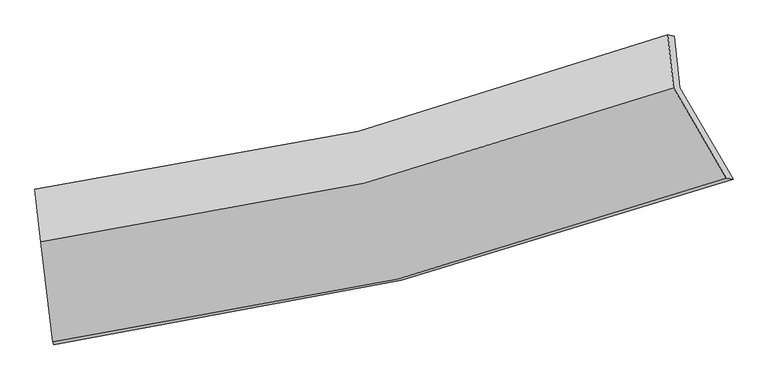
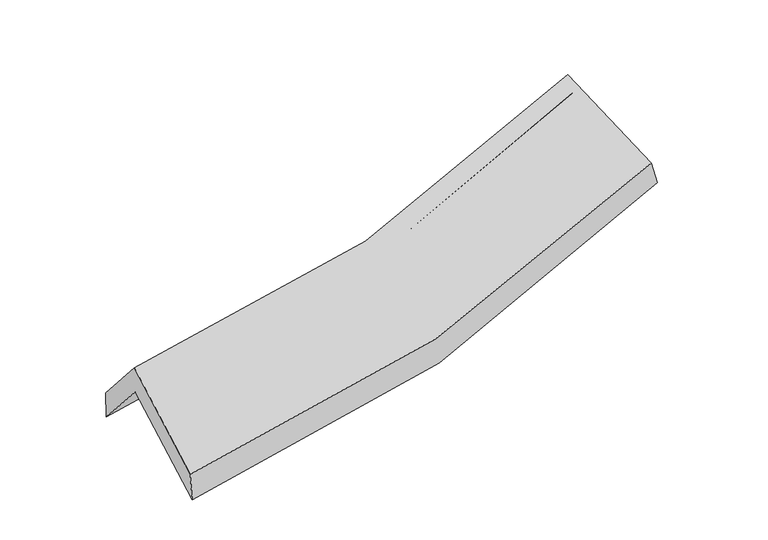
"""IFC4 building model written with IfcOpenShell, lengths in millimetres: proxy geometry."""

from ifc_helpers import new_model, si_unit, frame, origin, place, context, project, spatial, source, transform, mapped, element, save
from ifc_brep_helpers import plane_surface, spline_curve, spline_surface, advanced_brep


def generic_models_ba1fec79(model_context):
    return source(origin(), model_context, "Body", "AdvancedBrep", [
        advanced_brep(
        [(-1589.3263852, -2444.5069249, 1537.728119), (-1651.8615362, -1936.6725063, 1969.6850086), (1538.097086, -1160.8517895, 2363.6059601), (1804.5477784, -1618.7180675, 1955.003881), (-1680.8184409, -1670.0154843, 1651.9948838), (1510.3740032, -905.5567303, 2059.4522626), (-1682.2456145, -1667.5453739, 1811.7157581), (1478.7110252, -897.8729249, 2186.0124442), (-1653.745924, -1929.992022, 2124.3897231), (1507.2637456, -1160.8079128, 2499.2682079), (-1592.2325892, -2429.5284925, 1699.4909526), (1771.2184791, -1614.3851595, 2094.4936811)],
        [
            (0, 1),
            (1, 2, spline_curve(3, [(-1651.8615362, -1936.6725063, 1969.6850086), (-1095.287851473, -1869.956608214, 1967.278938285), (-550.645336097, -1771.747985708, 1999.041226499), (512.575791169, -1512.881314655, 2130.630045657), (1031.252816715, -1352.483031798, 2230.174741013), (1538.097086, -1160.8517895, 2363.6059601)], [4, 2, 4], [0.0, 5.628298288831096, 11.233336214022644])),
            (2, 3),
            (3, 0, spline_curve(3, [(1804.5477784, -1618.7180675, 1955.003881), (1263.390318902, -1817.479216413, 1818.715676928), (710.598511461, -1985.596619751, 1715.801348499), (-420.596113251, -2261.114436991, 1576.431856368), (-999.095693583, -2368.259986383, 1540.254264181), (-1589.3263852, -2444.5069249, 1537.728119)], [4, 2, 4], [0.0, 5.6050379251915485, 11.233336214022644])),
            (1, 4),
            (4, 5, spline_curve(3, [(-1680.8184409, -1670.0154843, 1651.9948838), (-1123.722464302, -1608.109244012, 1655.318948534), (-578.716099055, -1513.251226041, 1691.073083873), (484.914995426, -1258.159841207, 1827.159707282), (1003.639444914, -1098.198274462, 1927.22469815), (1510.3740032, -905.5567303, 2059.4522626)], [4, 2, 4], [0.0, 5.455681820158051, 10.88881665781335])),
            (5, 2),
            (4, 6),
            (6, 7, spline_curve(3, [(-1682.2456145, -1667.5453739, 1811.7157581), (-1131.918131578, -1603.026622263, 1816.246907864), (-592.819101561, -1506.428777778, 1849.828488902), (460.740494731, -1249.606692753, 1974.833671294), (975.293677773, -1089.647054207, 2066.017652171), (1478.7110252, -897.8729249, 2186.0124442)], [4, 2, 4], [0.0, 5.428302943163038, 10.834172053944775])),
            (7, 5),
            (6, 8),
            (8, 9, spline_curve(3, [(-1653.745924, -1929.992022, 2124.3897231), (-1103.467886516, -1865.017940172, 2128.378401063), (-564.389090473, -1768.233765598, 2161.737992242), (489.188423341, -1511.576679477, 2286.939750912), (1003.779517097, -1351.966150875, 2378.539654833), (1507.2637456, -1160.8079128, 2499.2682079)], [4, 2, 4], [0.0, 5.400998097607834, 10.779675207002203])),
            (9, 7),
            (8, 10),
            (10, 11, spline_curve(3, [(-1592.2325892, -2429.5284925, 1699.4909526), (-1007.895833585, -2358.346448845, 1705.58596493), (-434.88288734, -2254.61890802, 1741.680514971), (686.174065371, -1982.636014514, 1873.595539925), (1234.311474866, -1814.649111042, 1969.16856611), (1771.2184791, -1614.3851595, 2094.4936811)], [4, 2, 4], [0.0, 5.572208928726229, 11.12138929725427])),
            (11, 9),
            (10, 0),
            (3, 11),
        ],
        [
            spline_surface(3, 3, [[(-1589.3263852, -2444.5069249, 1537.728119), (-999.095693654, -2368.259986293, 1540.254264186), (-420.596113229, -2261.114437043, 1576.431856379), (710.59851144, -1985.596619699, 1715.801348487), (1263.390318889, -1817.479216475, 1818.715676971), (1804.5477784, -1618.7180675, 1955.003881)], [(-1610.17143553, -2275.228785374, 1681.713748865), (-1031.159746242, -2202.158860304, 1682.595822206), (-463.945854192, -2097.992286585, 1717.301646458), (644.590938046, -1828.02485136, 1854.077580855), (1186.011151496, -1662.480488228, 1955.868698334), (1715.730880944, -1466.095974838, 2091.204574025)], [(-1631.01648587, -2105.950645826, 1825.699378735), (-1063.22379884, -2036.057734294, 1824.937380231), (-507.29559519, -1934.870136133, 1858.171436511), (578.583364618, -1670.453083028, 1992.353813197), (1108.631984068, -1507.481759966, 2093.021719721), (1626.913983456, -1313.473882162, 2227.405267075)], [(-1651.8615362, -1936.6725063, 1969.6850086), (-1095.287851428, -1869.956608305, 1967.278938251), (-550.645336153, -1771.747985674, 1999.04122659), (512.575791224, -1512.881314689, 2130.630045566), (1031.252816675, -1352.483031718, 2230.174741084), (1538.097086, -1160.8517895, 2363.6059601)]], [4, 4], [4, 2, 4], [0.0, 2.1604630341870803], [0.0, 5.628298288831096, 11.233336214022644]),
            spline_surface(3, 3, [[(-1651.8615362, -1936.6725063, 1969.6850086), (-1095.287851428, -1869.956608305, 1967.278938251), (-550.645336153, -1771.747985674, 1999.04122659), (512.575791224, -1512.881314689, 2130.630045566), (1031.252816675, -1352.483031718, 2230.174741084), (1538.097086, -1160.8517895, 2363.6059601)], [(-1661.513837769, -1847.786832273, 1863.788300323), (-1104.766055699, -1782.674153526, 1863.292275017), (-560.002257111, -1685.582399134, 1896.385179019), (503.355525957, -1427.974156837, 2029.473266094), (1022.048359417, -1267.721445944, 2129.19139343), (1528.8560584, -1075.753436426, 2262.221394264)], [(-1671.166139331, -1758.901158327, 1757.891592077), (-1114.244259963, -1695.391698829, 1759.305611813), (-569.359178081, -1599.416812625, 1793.729131511), (494.135260678, -1343.066999015, 1928.316486687), (1012.84390216, -1182.959860193, 2028.208045785), (1519.6150308, -990.655083374, 2160.836828436)], [(-1680.8184409, -1670.0154843, 1651.9948838), (-1123.722464234, -1608.10924405, 1655.318948579), (-578.716099039, -1513.251226085, 1691.07308394), (484.91499541, -1258.159841163, 1827.159707215), (1003.639444902, -1098.198274419, 1927.224698131), (1510.3740032, -905.5567303, 2059.4522626)]], [4, 4], [4, 2, 4], [0.0, 1.3127409634462048], [0.0, 5.455681820158051, 10.88881665781335]),
            spline_surface(3, 3, [[(-1680.8184409, -1670.0154843, 1651.9948838), (-1123.722464234, -1608.10924405, 1655.318948579), (-578.716099039, -1513.251226085, 1691.07308394), (484.91499541, -1258.159841163, 1827.159707215), (1003.639444902, -1098.198274419, 1927.224698131), (1510.3740032, -905.5567303, 2059.4522626)], [(-1681.29416542, -1669.192114183, 1705.235175246), (-1126.454353355, -1606.415036803, 1708.961601663), (-583.417099868, -1510.977076628, 1743.991552277), (476.856828485, -1255.308791683, 1876.384361905), (994.190855854, -1095.347867703, 1973.489016153), (1499.819677187, -902.995461841, 2101.638989804)], [(-1681.76988998, -1668.368744017, 1758.475466654), (-1129.186242516, -1604.720829507, 1762.604254709), (-588.118100666, -1508.702927217, 1796.910020594), (468.79866159, -1252.457742251, 1925.609016574), (984.742266843, -1092.497460964, 2019.753334163), (1489.265351213, -900.434193359, 2143.825716996)], [(-1682.2456145, -1667.5453739, 1811.7157581), (-1131.918131638, -1603.026622261, 1816.246907793), (-592.819101495, -1506.42877776, 1849.828488932), (460.740494665, -1249.606692771, 1974.833671264), (975.293677795, -1089.647054247, 2066.017652186), (1478.7110252, -897.8729249, 2186.0124442)]], [4, 4], [4, 2, 4], [0.0, 0.5072723696661174], [0.0, 5.428302943163038, 10.834172053944775]),
            spline_surface(3, 3, [[(-1682.2456145, -1667.5453739, 1811.7157581), (-1131.918131638, -1603.026622261, 1816.246907793), (-592.819101495, -1506.42877776, 1849.828488932), (460.740494665, -1249.606692771, 1974.833671264), (975.293677795, -1089.647054247, 2066.017652186), (1478.7110252, -897.8729249, 2186.0124442)], [(-1672.745717692, -1755.027589916, 1915.940413088), (-1122.434716614, -1690.357061573, 1920.290738891), (-583.342431139, -1593.697107087, 1953.798323371), (470.223137553, -1336.930021681, 2078.869031165), (984.788957567, -1177.086753116, 2170.19165305), (1488.228598657, -985.517920837, 2290.431032103)], [(-1663.245820808, -1842.509805984, 2020.165068112), (-1112.951301514, -1777.687500937, 2024.334570025), (-573.8657608, -1680.96543633, 2057.76815778), (479.705780424, -1424.253350507, 2182.904391035), (994.284237368, -1264.526452073, 2274.365653906), (1497.746172143, -1073.162916863, 2394.849619997)], [(-1653.745924, -1929.992022, 2124.3897231), (-1103.467886491, -1865.017940249, 2128.378401123), (-564.389090444, -1768.233765658, 2161.737992219), (489.188423313, -1511.576679418, 2286.939750935), (1003.77951714, -1351.966150942, 2378.539654771), (1507.2637456, -1160.8079128, 2499.2682079)]], [4, 4], [4, 2, 4], [0.0, 1.3397010018669955], [0.0, 5.400998097607834, 10.779675207002203]),
            spline_surface(3, 3, [[(-1653.745924, -1929.992022, 2124.3897231), (-1103.467886491, -1865.017940249, 2128.378401123), (-564.389090444, -1768.233765658, 2161.737992219), (489.188423313, -1511.576679418, 2286.939750935), (1003.77951714, -1351.966150942, 2378.539654771), (1507.2637456, -1160.8079128, 2499.2682079)], [(-1633.241479068, -2096.504178854, 1982.756799605), (-1071.610535553, -2029.460776468, 1987.447589037), (-521.220356052, -1930.362146419, 2021.718833107), (554.850303963, -1668.596457773, 2149.158347285), (1080.62350309, -1506.193804325, 2242.08262522), (1595.248656795, -1312.000328364, 2364.343365626)], [(-1612.737034132, -2263.016335646, 1841.123876095), (-1039.753184612, -2193.903612624, 1846.516776935), (-478.051621642, -2092.490527235, 1881.699674009), (620.512184632, -1825.616236182, 2011.376943649), (1157.467488957, -1660.421457715, 2105.625595691), (1683.233567905, -1463.192743936, 2229.418523374)], [(-1592.2325892, -2429.5284925, 1699.4909526), (-1007.895833674, -2358.346448843, 1705.585964849), (-434.88288725, -2254.618907997, 1741.680514897), (686.174065282, -1982.636014538, 1873.595539998), (1234.311474907, -1814.649111097, 1969.16856614), (1771.2184791, -1614.3851595, 2094.4936811)]], [4, 4], [4, 2, 4], [0.0, 2.1500396959126635], [0.0, 5.572208928726229, 11.12138929725427]),
            spline_surface(3, 3, [[(-1592.2325892, -2429.5284925, 1699.4909526), (-1007.895833674, -2358.346448843, 1705.585964849), (-434.88288725, -2254.618907997, 1741.680514897), (686.174065282, -1982.636014538, 1873.595539998), (1234.311474907, -1814.649111097, 1969.16856614), (1771.2184791, -1614.3851595, 2094.4936811)], [(-1591.263854521, -2434.5213033, 1645.570008072), (-1004.962453655, -2361.650961326, 1650.475397967), (-430.120629248, -2256.784084364, 1686.597628725), (694.31554733, -1983.622882943, 1820.997476161), (1244.004422884, -1815.592479583, 1919.017603096), (1782.328245516, -1615.829462193, 2047.997081079)], [(-1590.295119879, -2439.5141141, 1591.649063528), (-1002.029073673, -2364.95547381, 1595.364831068), (-425.358371231, -2258.949260676, 1631.514742552), (702.457029392, -1984.609751293, 1768.399412324), (1253.697370912, -1816.535847989, 1868.866640015), (1793.438011984, -1617.273764807, 2001.500481021)], [(-1589.3263852, -2444.5069249, 1537.728119), (-999.095693654, -2368.259986293, 1540.254264186), (-420.596113229, -2261.114437043, 1576.431856379), (710.59851144, -1985.596619699, 1715.801348487), (1263.390318889, -1817.479216475, 1818.715676971), (1804.5477784, -1618.7180675, 1955.003881)]], [4, 4], [4, 2, 4], [0.0, 0.5339852277960205], [0.0, 5.772170173188844, 11.520485395853093]),
            plane_surface(frame((1601.7020196, -1226.3654308, 2192.9727395), z_axis=(0.9146214338971381, 0.34684594167031807, 0.20776314736442875), x_axis=(0.39826774308186663, -0.6843794157446693, -0.6107434978167687))),
            plane_surface(frame((-1641.7050817, -2013.0434673, 1799.1674075), z_axis=(-0.9931908671274767, -0.11628339653617176, -0.007076238024742583), x_axis=(-0.01788644473379635, 0.09218585475994798, 0.9955811585586395))),
        ],
        [
            (0, [[1, 2, 3, 4]]),
            (1, [[5, 6, 7, -2]]),
            (2, [[8, 9, 10, -6]]),
            (3, [[11, 12, 13, -9]]),
            (4, [[14, 15, 16, -12]]),
            (5, [[17, -4, 18, -15]]),
            (6, [[-16, -18, -3, -7, -10, -13]]),
            (7, [[-17, -14, -11, -8, -5, -1]]),
        ],
    ),
    ])


if __name__ == "__main__":
    model = new_model("IFC4")
    model_context = context("Model", 3, world=origin())
    ifc_project = project(units=[si_unit("LENGTHUNIT", "METRE", prefix="MILLI")], contexts=[model_context])
    site = spatial("IfcSite", under=ifc_project)
    building = spatial("IfcBuilding", under=site)
    placement = place(None, origin())
    generic_models_shape = generic_models_ba1fec79(model_context)
    element("IfcBuildingElementProxy", 1, Name="Generic Models", at=placement, inside=building, context=model_context, shape_type="MappedRepresentation", body=[
        mapped(generic_models_shape, transform((0.0, 0.0, 0.0), x_axis=(1.0, 0.0, 0.0), y_axis=(0.0, 1.0, 0.0), z_axis=(0.0, 0.0, 1.0))),
    ])
    save(model, "model.ifc")
